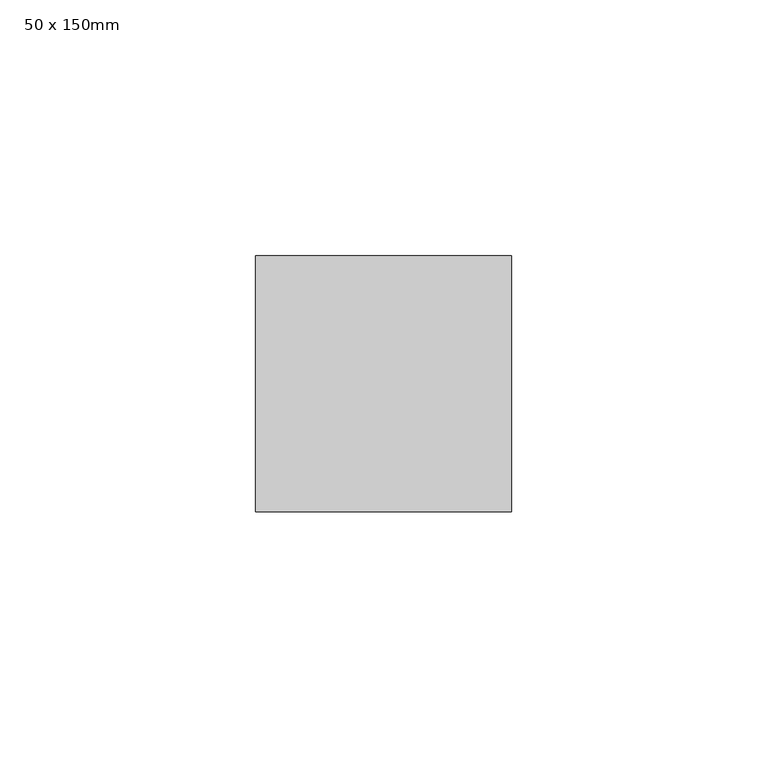
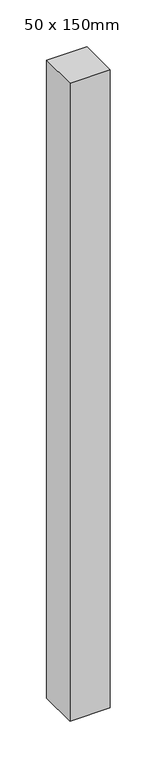
"""IFC4 building model written with IfcOpenShell, lengths in millimetres: member geometry, 50 x 150mm."""

from ifc_helpers import new_model, si_unit, frame, origin, place, context, project, spatial, polyline, outline, extrude, source, transform, mapped, element, save


def member_50_x_150mm_bf5aabee(model_context):
    return source(origin(), model_context, "Body", "SweptSolid", [
        extrude(outline(polyline([(25.0, 25.0), (25.0, -25.0), (-25.0, -25.0), (-25.0, 25.0), (25.0, 25.0)])), frame((0.0, 0.0, -834.4078914), z_axis=(0.0, 0.0, 1.0), x_axis=(1.0, 0.0, 0.0)), (0.0, 0.0, 1.0), 834.4078914),
    ])


if __name__ == "__main__":
    model = new_model("IFC4")
    model_context = context("Model", 3, world=origin())
    ifc_project = project(units=[si_unit("LENGTHUNIT", "METRE", prefix="MILLI")], contexts=[model_context])
    site = spatial("IfcSite", under=ifc_project)
    building = spatial("IfcBuilding", under=site)
    placement = place(None, origin())
    member_50_x_150mm_shape = member_50_x_150mm_bf5aabee(model_context)
    element("IfcMember", 1, ObjectType="50 x 150mm", at=placement, inside=building, context=model_context, shape_type="MappedRepresentation", body=[
        mapped(member_50_x_150mm_shape, transform((0.0, 0.0, 0.0), x_axis=(1.0, 0.0, 0.0), y_axis=(0.0, 1.0, 0.0), z_axis=(0.0, 0.0, 1.0))),
    ])
    save(model, "model.ifc")
